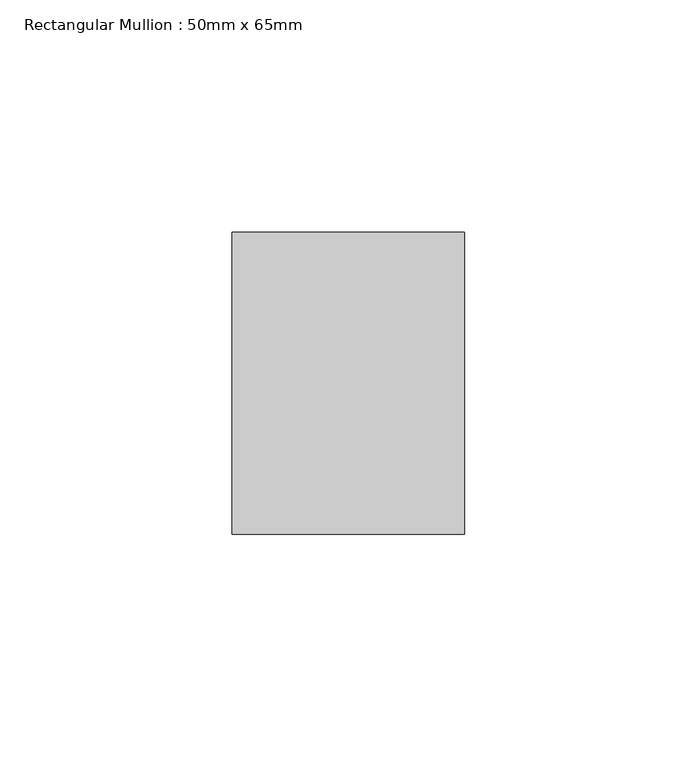
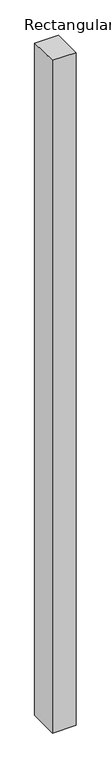
"""IFC4 building model written with IfcOpenShell, lengths in millimetres: member geometry, Rectangular Mullion : 50mm x 65mm."""

from ifc_helpers import new_model, si_unit, origin, place, context, project, spatial, faceted_brep, source, transform, mapped, element, save


def rectangular_mullion_50mm_x_65mm_59de21f8(model_context):
    return source(origin(), model_context, "Body", "Brep", [
        faceted_brep([(-25.0, 32.5, -0.4073266), (25.0, 32.5, -0.4073255), (25.0, 32.5, -1499.6940613), (-25.0, 32.5, -1499.6940604), (-25.0, -32.5, 0.4073255), (-25.0, -32.5, -1500.3055078), (25.0, -32.5, 0.4073266), (25.0, -32.5, -1500.3055087)], [[[0, 1, 2, 3]], [[4, 0, 3, 5]], [[6, 4, 5, 7]], [[1, 6, 7, 2]], [[1, 0, 4, 6]], [[2, 7, 5, 3]]]),
    ])


if __name__ == "__main__":
    model = new_model("IFC4")
    model_context = context("Model", 3, world=origin())
    ifc_project = project(units=[si_unit("LENGTHUNIT", "METRE", prefix="MILLI")], contexts=[model_context])
    site = spatial("IfcSite", under=ifc_project)
    building = spatial("IfcBuilding", under=site)
    placement = place(None, origin())
    rectangular_mullion_50mm_x_65mm_shape = rectangular_mullion_50mm_x_65mm_59de21f8(model_context)
    element("IfcMember", 1, ObjectType="Rectangular Mullion : 50mm x 65mm", at=placement, inside=building, context=model_context, shape_type="MappedRepresentation", body=[
        mapped(rectangular_mullion_50mm_x_65mm_shape, transform((0.0, 0.0, 0.0), x_axis=(1.0, 0.0, 0.0), y_axis=(0.0, 1.0, 0.0), z_axis=(0.0, 0.0, 1.0))),
    ])
    save(model, "model.ifc")
